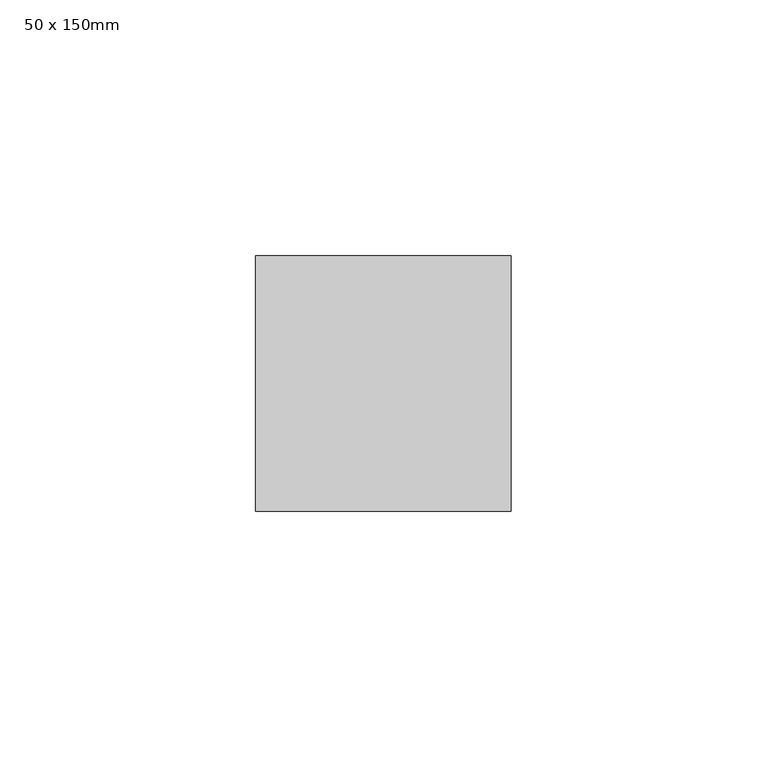
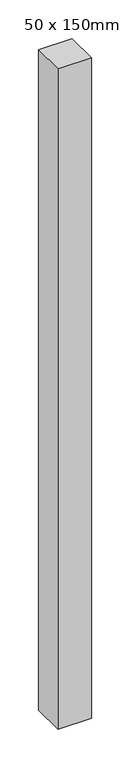
"""IFC4 building model written with IfcOpenShell, lengths in millimetres: member geometry, 50 x 150mm."""

from ifc_helpers import new_model, si_unit, frame, origin, place, context, project, spatial, polyline, outline, extrude, source, transform, mapped, element, save


def member_50_x_150mm_ec19449a(model_context):
    return source(origin(), model_context, "Body", "SweptSolid", [
        extrude(outline(polyline([(25.0, 25.0), (25.0, -25.0), (-25.0, -25.0), (-25.0, 25.0), (25.0, 25.0)])), frame((0.0, 0.0, -1042.2471119), z_axis=(0.0, 0.0, 1.0), x_axis=(1.0, 0.0, 0.0)), (0.0, 0.0, 1.0), 1042.2471119),
    ])


if __name__ == "__main__":
    model = new_model("IFC4")
    model_context = context("Model", 3, world=origin())
    ifc_project = project(units=[si_unit("LENGTHUNIT", "METRE", prefix="MILLI")], contexts=[model_context])
    site = spatial("IfcSite", under=ifc_project)
    building = spatial("IfcBuilding", under=site)
    placement = place(None, origin())
    member_50_x_150mm_shape = member_50_x_150mm_ec19449a(model_context)
    element("IfcMember", 1, ObjectType="50 x 150mm", at=placement, inside=building, context=model_context, shape_type="MappedRepresentation", body=[
        mapped(member_50_x_150mm_shape, transform((0.0, 0.0, 0.0), x_axis=(1.0, 0.0, 0.0), y_axis=(0.0, 1.0, 0.0), z_axis=(0.0, 0.0, 1.0))),
    ])
    save(model, "model.ifc")
